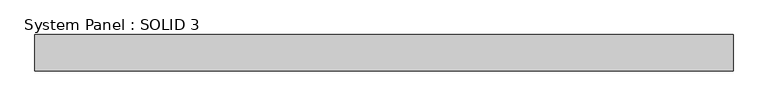
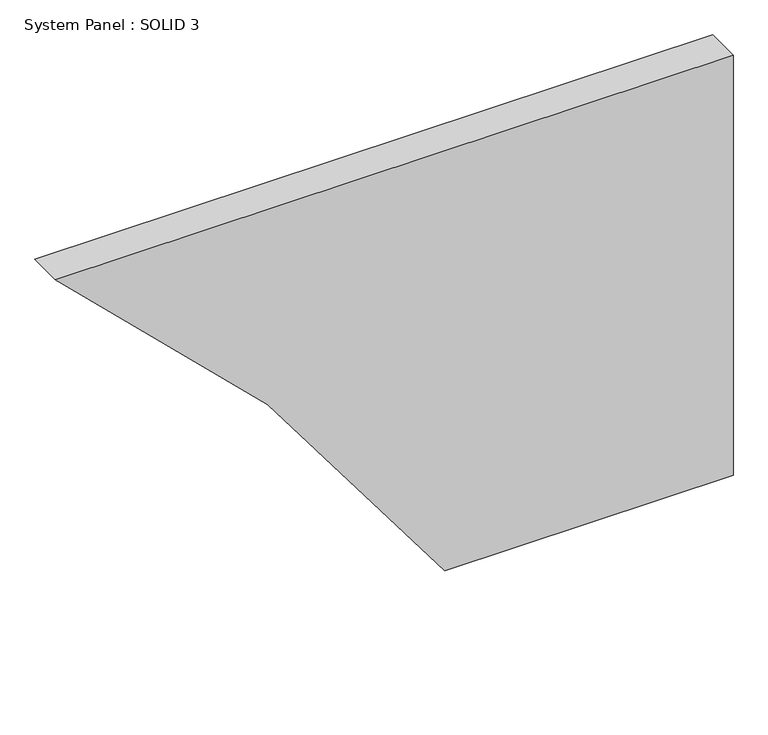
"""IFC4 building model written with IfcOpenShell, lengths in millimetres: plate geometry, System Panel : SOLID 3."""

from ifc_helpers import new_model, si_unit, point, frame, frame_2d, origin, place, context, project, spatial, polyline, circle_curve, trimmed, segment, composite_curve, outline, extrude, source, transform, mapped, element, save


def system_panel_solid_3_f6247b94(model_context):
    return source(origin(), model_context, "Body", "SweptSolid", [
        extrude(outline(composite_curve([segment(polyline([(0.0, 114.0962185), (0.0, 765.4875681), (1003.0, 765.4875681), (1003.0, -765.4875681)]), True, "CONTINUOUS"), segment(trimmed(circle_curve(frame_2d((-2258.5211069, -3472.9810298)), 4238.8725831), [point((1003.0, -765.4875681))], [point((0.0, 114.0962185))], True, "CARTESIAN"), True, "CONTINUOUS")], self_intersect=False)), frame((0.0, 80.0, 0.0), z_axis=(0.0, 1.0, 0.0), x_axis=(0.0, 0.0, 1.0)), (0.0, 0.0, 1.0), 80.0),
    ])


if __name__ == "__main__":
    model = new_model("IFC4")
    model_context = context("Model", 3, world=origin())
    ifc_project = project(units=[si_unit("LENGTHUNIT", "METRE", prefix="MILLI")], contexts=[model_context])
    site = spatial("IfcSite", under=ifc_project)
    building = spatial("IfcBuilding", under=site)
    placement = place(None, origin())
    system_panel_solid_3_shape = system_panel_solid_3_f6247b94(model_context)
    element("IfcPlate", 1, ObjectType="System Panel : SOLID 3", at=placement, inside=building, context=model_context, shape_type="MappedRepresentation", body=[
        mapped(system_panel_solid_3_shape, transform((0.0, 0.0, 0.0), x_axis=(1.0, 0.0, 0.0), y_axis=(0.0, 1.0, 0.0), z_axis=(0.0, 0.0, 1.0))),
    ])
    save(model, "model.ifc")
